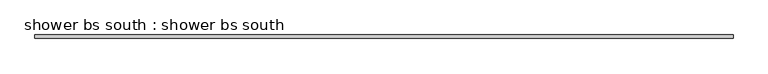
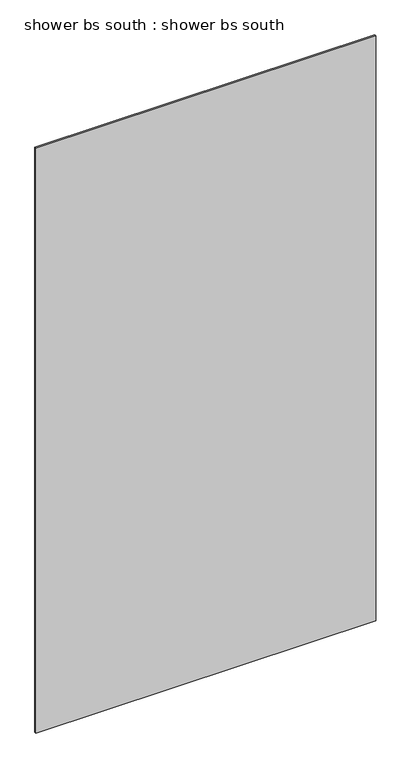
"""IFC4 building model written with IfcOpenShell, lengths in millimetres: proxy geometry, shower bs south : shower bs south."""

from ifc_helpers import new_model, si_unit, frame, origin, place, context, project, spatial, polyline, outline, extrude, source, transform, mapped, element, save


def shower_bs_south_shower_bs_south_19cbe593(model_context):
    return source(origin(), model_context, "Body", "SweptSolid", [
        extrude(outline(polyline([(-7052.136525, 6936.0251285), (-8328.1323603, 6936.0251285), (-8328.1323603, 6942.3751285), (-7052.136525, 6942.3751285), (-7052.136525, 6936.0251285)])), frame((0.0, 0.0, 3164.4504274), z_axis=(0.0, 0.0, 1.0), x_axis=(1.0, 0.0, 0.0)), (0.0, 0.0, 1.0), 2321.9495726),
    ])


if __name__ == "__main__":
    model = new_model("IFC4")
    model_context = context("Model", 3, world=origin())
    ifc_project = project(units=[si_unit("LENGTHUNIT", "METRE", prefix="MILLI")], contexts=[model_context])
    site = spatial("IfcSite", under=ifc_project)
    building = spatial("IfcBuilding", under=site)
    placement = place(None, origin())
    shower_bs_south_shower_bs_south_shape = shower_bs_south_shower_bs_south_19cbe593(model_context)
    element("IfcBuildingElementProxy", 1, Name="shower bs south : shower bs south", ObjectType="shower bs south : shower bs south", at=placement, inside=building, context=model_context, shape_type="MappedRepresentation", body=[
        mapped(shower_bs_south_shower_bs_south_shape, transform((0.0, 0.0, 0.0), x_axis=(1.0, 0.0, 0.0), y_axis=(0.0, 1.0, 0.0), z_axis=(0.0, 0.0, 1.0))),
    ])
    save(model, "model.ifc")
